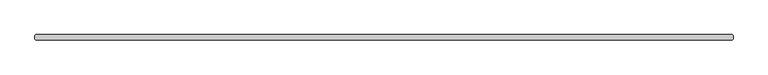
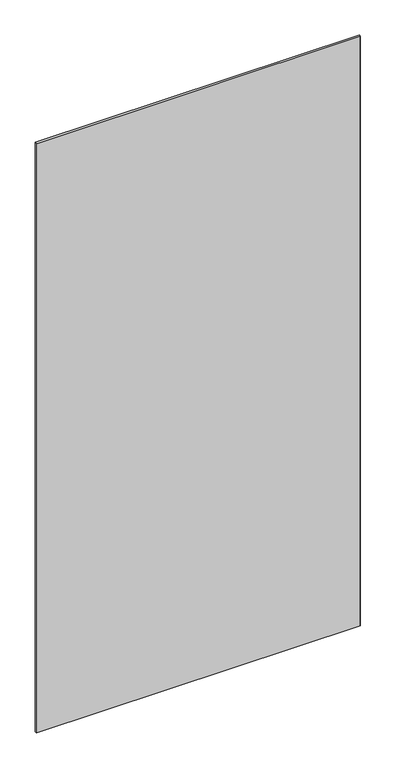
"""IFC4 building model written with IfcOpenShell, lengths in millimetres: plate geometry."""

from ifc_helpers import new_model, si_unit, origin, origin_with_axes, place, context, project, spatial, polyline, outline, extrude, source, transform, mapped, element, save


def plate_ac6d6a64(model_context):
    return source(origin(), model_context, "Body", "SweptSolid", [
        extrude(outline(polyline([(630.634375, -34.925), (-630.634375, -34.925), (-632.221875, -33.3375), (-632.221875, -26.9875), (-630.634375, -25.4), (630.634375, -25.4), (632.221875, -26.9875), (632.221875, -33.3375), (630.634375, -34.925)])), origin_with_axes(), (0.0, 0.0, 1.0), 2428.7789267),
    ])


if __name__ == "__main__":
    model = new_model("IFC4")
    model_context = context("Model", 3, world=origin())
    ifc_project = project(units=[si_unit("LENGTHUNIT", "METRE", prefix="MILLI")], contexts=[model_context])
    site = spatial("IfcSite", under=ifc_project)
    building = spatial("IfcBuilding", under=site)
    placement = place(None, origin())
    plate_shape = plate_ac6d6a64(model_context)
    element("IfcPlate", 1, at=placement, inside=building, context=model_context, shape_type="MappedRepresentation", body=[
        mapped(plate_shape, transform((0.0, 0.0, 0.0), x_axis=(1.0, 0.0, 0.0), y_axis=(0.0, 1.0, 0.0), z_axis=(0.0, 0.0, 1.0))),
    ])
    save(model, "model.ifc")
